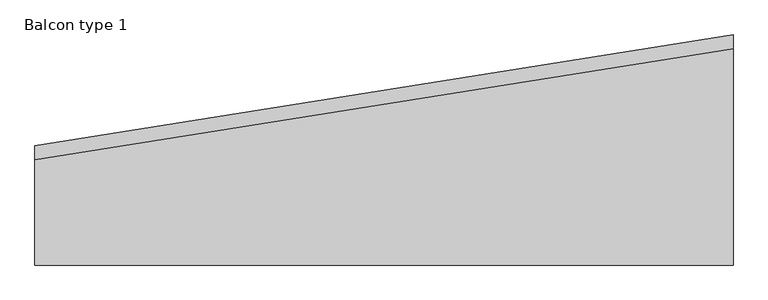
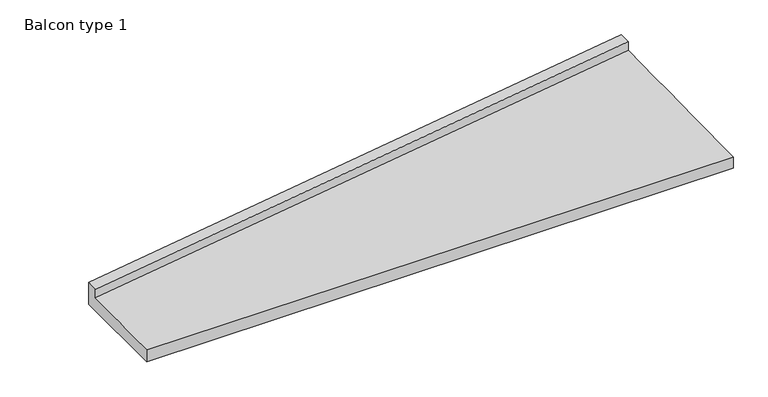
"""IFC4 building model written with IfcOpenShell, lengths in millimetres: proxy geometry, Balcon type 1."""

from ifc_helpers import new_model, si_unit, frame, origin, place, context, project, spatial, source, transform, mapped, element, save
from ifc_brep_helpers import plane_surface, spline_surface, advanced_brep


def balcon_type_1_ade96884(model_context):
    return source(origin(), model_context, "Body", "AdvancedBrep", [
        advanced_brep(
        [(8955.0, 2951.2, 0.0), (8955.0, 2951.2, 360.0), (8955.0, 2771.2, 357.1363185), (8955.0, 2771.2, 219.8190027), (8955.0, 0.0, 175.7310351), (8955.0, 0.0, 0.0), (0.0, 1529.3, 0.0), (0.0, 0.0, 0.0), (0.0, 0.0, 197.06), (0.0, 1349.3, 219.984554), (0.0, 1349.3, 357.2999411), (0.0, 1529.3, 360.0)],
        [
            (0, 1),
            (1, 2),
            (2, 3),
            (3, 4),
            (4, 5),
            (5, 0),
            (6, 7),
            (7, 8),
            (8, 9),
            (9, 10),
            (10, 11),
            (11, 6),
            (11, 1),
            (0, 6),
            (10, 2),
            (9, 3),
            (8, 4),
            (7, 5),
        ],
        [
            plane_surface(frame((8955.0, 1907.4666667, 185.447726), z_axis=(1.0, 0.0, 0.0), x_axis=(0.0, 0.0, 1.0))),
            plane_surface(frame((0.0, 959.5333333, 189.0574159), z_axis=(-1.0, 0.0, 0.0), x_axis=(0.0, 0.0, 1.0))),
            plane_surface(frame((0.0, 1529.3, 180.0), z_axis=(-0.1568182590469247, 0.9876274771539579, 0.0), x_axis=(0.0, 0.0, 1.0))),
            spline_surface(1, 1, [[(0.0, 1529.3, 360.0), (8955.0, 2951.2, 360.0)], [(0.0, 1349.3, 357.2999411), (8955.0, 2771.2, 357.1363185)]], [2, 2], [2, 2], [0.0, 1.0], [0.0, 1.0]),
            plane_surface(frame((0.0, 1349.3, 288.6422476), z_axis=(0.1568182590469239, -0.987627477153958, 0.0), x_axis=(0.0, 0.0, -1.0))),
            spline_surface(1, 1, [[(0.0, 1349.3, 219.984554), (8955.0, 2771.2, 219.8190027)], [(0.0, 0.0, 197.06), (8955.0, 0.0, 175.7310351)]], [2, 2], [2, 2], [0.0, 1.0], [0.0, 1.0]),
            plane_surface(frame((0.0, 0.0, 98.53), z_axis=(0.0, -1.0, 0.0), x_axis=(0.0, 0.0, -1.0))),
            plane_surface(frame((0.0, 764.65, 0.0), z_axis=(0.0, 0.0, -1.0), x_axis=(0.0, 1.0, 0.0))),
        ],
        [
            (0, [[1, 2, 3, 4, 5, 6]]),
            (1, [[7, 8, 9, 10, 11, 12]]),
            (2, [[-12, 13, -1, 14]]),
            (3, [[-11, 15, -2, -13]]),
            (4, [[-10, 16, -3, -15]]),
            (5, [[-9, 17, -4, -16]]),
            (6, [[-8, 18, -5, -17]]),
            (7, [[-7, -14, -6, -18]]),
        ],
    ),
    ])


if __name__ == "__main__":
    model = new_model("IFC4")
    model_context = context("Model", 3, world=origin())
    ifc_project = project(units=[si_unit("LENGTHUNIT", "METRE", prefix="MILLI")], contexts=[model_context])
    site = spatial("IfcSite", under=ifc_project)
    building = spatial("IfcBuilding", under=site)
    placement = place(None, origin())
    balcon_type_1_shape = balcon_type_1_ade96884(model_context)
    element("IfcBuildingElementProxy", 1, Name="Balcon type 1", ObjectType="Balcon type 1", at=placement, inside=building, context=model_context, shape_type="MappedRepresentation", body=[
        mapped(balcon_type_1_shape, transform((0.0, 0.0, 0.0), x_axis=(1.0, 0.0, 0.0), y_axis=(0.0, 1.0, 0.0), z_axis=(0.0, 0.0, 1.0))),
    ])
    save(model, "model.ifc")
